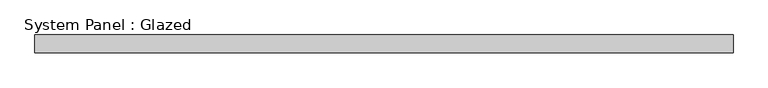
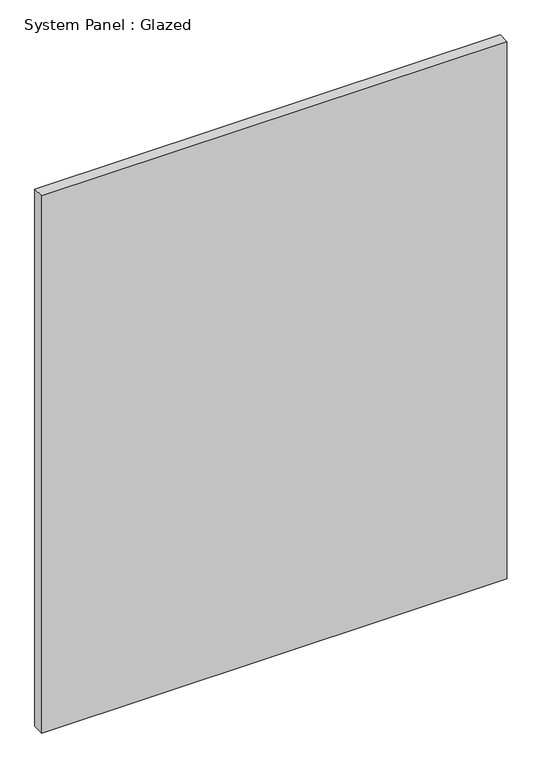
"""IFC4 building model written with IfcOpenShell, lengths in millimetres: plate geometry, System Panel : Glazed."""

from ifc_helpers import new_model, si_unit, origin, origin_with_axes, place, context, project, spatial, polyline, outline, extrude, source, transform, mapped, element, save


def system_panel_glazed_d78aa734(model_context):
    return source(origin(), model_context, "Body", "SweptSolid", [
        extrude(outline(polyline([(499.8739519, 19.05), (-499.8739519, 19.05), (-499.8739519, 44.45), (499.8739519, 44.45), (499.8739519, 19.05)])), origin_with_axes(), (0.0, 0.0, 1.0), 1219.2),
    ])


if __name__ == "__main__":
    model = new_model("IFC4")
    model_context = context("Model", 3, world=origin())
    ifc_project = project(units=[si_unit("LENGTHUNIT", "METRE", prefix="MILLI")], contexts=[model_context])
    site = spatial("IfcSite", under=ifc_project)
    building = spatial("IfcBuilding", under=site)
    placement = place(None, origin())
    system_panel_glazed_shape = system_panel_glazed_d78aa734(model_context)
    element("IfcPlate", 1, ObjectType="System Panel : Glazed", at=placement, inside=building, context=model_context, shape_type="MappedRepresentation", body=[
        mapped(system_panel_glazed_shape, transform((0.0, 0.0, 0.0), x_axis=(1.0, 0.0, 0.0), y_axis=(0.0, 1.0, 0.0), z_axis=(0.0, 0.0, 1.0))),
    ])
    save(model, "model.ifc")
